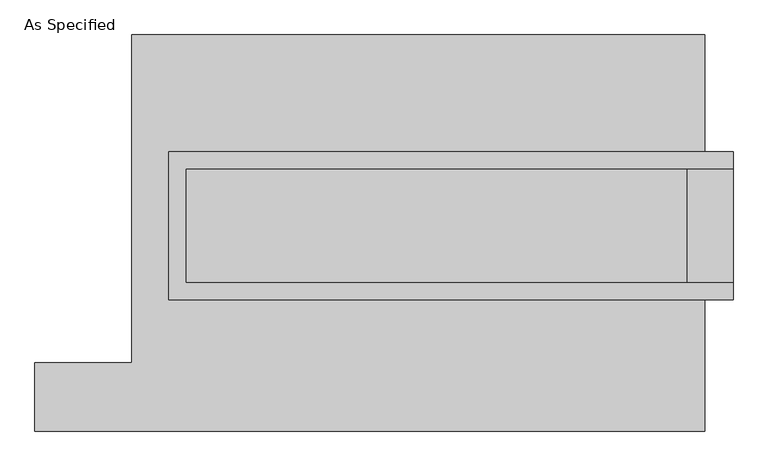
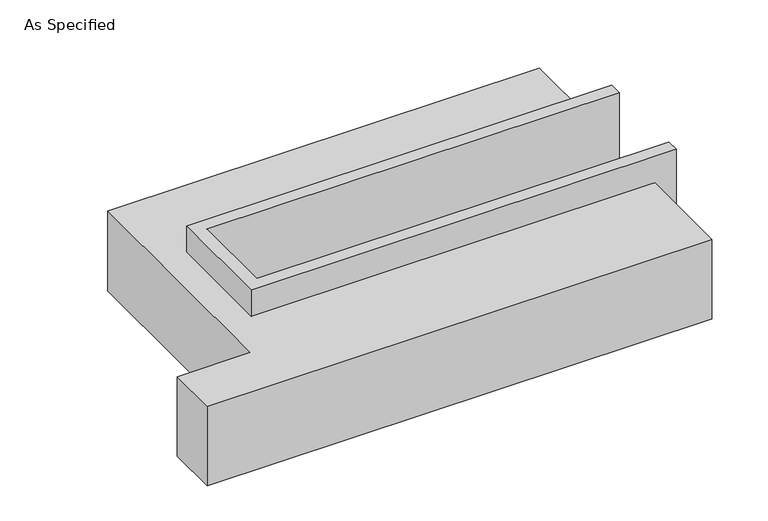
"""IFC4 building model written with IfcOpenShell, lengths in millimetres: proxy geometry, As Specified."""

from ifc_helpers import new_model, si_unit, origin, place, context, project, spatial, faceted_brep, source, transform, mapped, element, save


def as_specified_6c2a87d8(model_context):
    return source(origin(), model_context, "Body", "Brep", [
        faceted_brep([(-1111.25, 361.95, 139.7), (-1111.25, 361.95, -393.7), (-1111.25, 285.75, -393.7), (-1111.25, 285.75, -25.4), (-1111.25, -222.25, -25.4), (-1111.25, -222.25, -393.7), (-1111.25, -298.45, -393.7), (-1111.25, -298.45, 139.7), (1403.35, 285.75, 139.7), (1403.35, 285.75, -317.5), (1403.35, -222.25, -317.5), (1403.35, -222.25, 139.7), (1403.35, -298.45, 139.7), (1403.35, -298.45, -393.7), (1403.35, 361.95, -393.7), (1403.35, 361.95, 139.7), (-1035.05, -222.25, 139.7), (-1035.05, 285.75, 139.7), (1200.15, -222.25, -393.7), (1200.15, 285.75, -393.7), (1200.15, -222.25, -317.5), (-1035.05, -222.25, -25.4), (1200.15, 285.75, -317.5), (-1035.05, 285.75, -25.4)], [[[0, 1, 2, 3, 4, 5, 6, 7]], [[8, 9, 10, 11, 12, 13, 14, 15]], [[0, 7, 12, 11, 16, 17, 8, 15]], [[1, 0, 15, 14]], [[14, 13, 6, 5, 18, 19, 2, 1]], [[7, 6, 13, 12]], [[11, 10, 20, 18, 5, 4, 21, 16]], [[10, 9, 22, 20]], [[9, 8, 17, 23, 3, 2, 19, 22]], [[18, 20, 22, 19]], [[23, 21, 4, 3]], [[17, 16, 21, 23]]]),
        faceted_brep([(-1276.35, 882.65, -523.9742188), (1276.35, 882.65, -523.9742188), (1276.35, -882.65, -523.9742188), (-1708.15, -882.65, -523.9742188), (-1708.15, -577.85, -523.9742188), (-1276.35, -577.85, -523.9742188), (1276.35, 882.65, -25.4), (-1276.35, 882.65, -25.4), (-1276.35, -577.85, -25.4), (-1708.15, -577.85, -25.4), (-1708.15, -882.65, -25.4), (1276.35, -882.65, -25.4), (1276.35, -298.45, -25.4), (-1111.25, -298.45, -25.4), (-1111.25, 361.95, -25.4), (1276.35, 361.95, -25.4), (1276.35, 361.95, -393.7), (1276.35, -298.45, -393.7), (-1111.25, -298.45, -393.7), (-1111.25, 361.95, -393.7)], [[[0, 1, 2, 3, 4, 5]], [[6, 7, 8, 9, 10, 11, 12, 13, 14, 15]], [[1, 0, 7, 6]], [[7, 0, 5, 8]], [[1, 6, 15, 16, 17, 12, 11, 2]], [[3, 2, 11, 10]], [[18, 19, 14, 13]], [[14, 19, 16, 15]], [[19, 18, 17, 16]], [[18, 13, 12, 17]], [[5, 4, 9, 8]], [[4, 3, 10, 9]]]),
    ])


if __name__ == "__main__":
    model = new_model("IFC4")
    model_context = context("Model", 3, world=origin())
    ifc_project = project(units=[si_unit("LENGTHUNIT", "METRE", prefix="MILLI")], contexts=[model_context])
    site = spatial("IfcSite", under=ifc_project)
    building = spatial("IfcBuilding", under=site)
    placement = place(None, origin())
    as_specified_shape = as_specified_6c2a87d8(model_context)
    element("IfcBuildingElementProxy", 1, Name="As Specified", ObjectType="As Specified", at=placement, inside=building, context=model_context, shape_type="MappedRepresentation", body=[
        mapped(as_specified_shape, transform((0.0, 0.0, 0.0), x_axis=(1.0, 0.0, 0.0), y_axis=(0.0, 1.0, 0.0), z_axis=(0.0, 0.0, 1.0))),
    ])
    save(model, "model.ifc")
